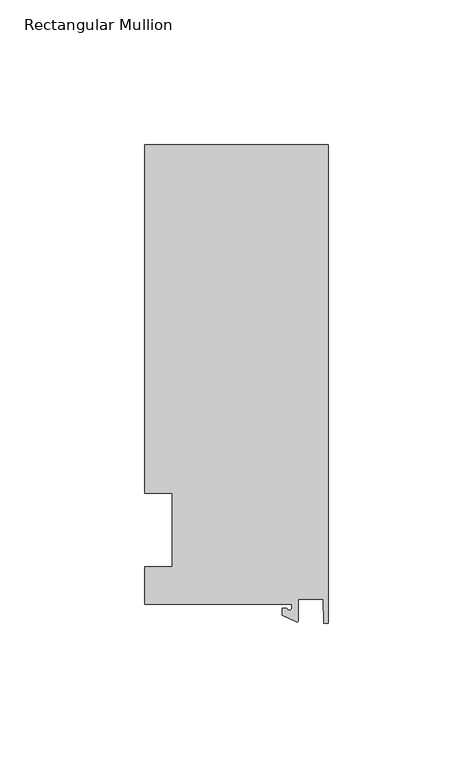
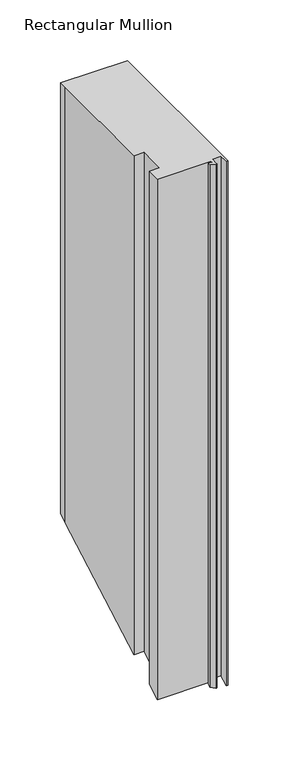
"""IFC4 building model written with IfcOpenShell, lengths in millimetres: member geometry, Rectangular Mullion."""

import ifcopenshell
import ifcopenshell.guid

model = None  # the IFC model being written
_history = None  # IfcOwnerHistory: only IFC2X3 demands one
_inside = {}  # id of a spatial element -> (the spatial element, [elements in it])
_under = {}  # id of a project, library or spatial element -> (it, [spatial elements below it])
_declared = {}  # id of a project -> (the project, [libraries it declares])
_typed = {}  # id of a type object -> (the type object, [elements of that type])
_made_of = {}  # id of a material, layer set ... -> (it, [elements and type objects made of it])


def new_model(schema):
    """Start an empty IFC model of exactly this schema.

    Asked for "IFC4X3", IfcOpenShell would pick the latest addendum, in which some entities
    have other attributes; the version numbers below select the first issue.
    IFC2X3 requires an IfcOwnerHistory on every rooted entity: one is made here for all.
    """
    global model, _history
    if schema == "IFC4X3":
        model = ifcopenshell.file(schema_version=(4, 3, 0, 0))
    else:
        model = ifcopenshell.file(schema=schema)
    _inside.clear()
    _under.clear()
    _declared.clear()
    _typed.clear()
    _made_of.clear()
    _history = None
    if model.schema == "IFC2X3":
        org = make("IfcOrganization", Name="unknown")
        user = make(
            "IfcPersonAndOrganization",
            ThePerson=make("IfcPerson", FamilyName="unknown"),
            TheOrganization=org,
        )
        app = make(
            "IfcApplication",
            ApplicationDeveloper=org,
            Version="unknown",
            ApplicationFullName="unknown",
            ApplicationIdentifier="unknown",
        )
        _history = make(
            "IfcOwnerHistory",
            OwningUser=user,
            OwningApplication=app,
            ChangeAction="ADDED",
            CreationDate=0,
        )
    return model


def make(cls, **values):
    """One entity of the class cls with the attributes given. An attribute that is None is left unset."""
    return model.create_entity(
        cls, **{name: value for name, value in values.items() if value is not None}
    )


def rooted(cls, **values):
    """An entity with a GlobalId (a new one), such as an element, a storey or a relation."""
    return make(cls, GlobalId=ifcopenshell.guid.new(), OwnerHistory=_history, **values)


def si_unit(unit_type, name, prefix=None):
    """IfcSIUnit, for example si_unit("LENGTHUNIT", "METRE", prefix="MILLI")."""
    return make("IfcSIUnit", UnitType=unit_type, Prefix=prefix, Name=name)


def assignment(units):
    """IfcUnitAssignment: the units of a project."""
    return None if units is None else make("IfcUnitAssignment", Units=units)


def point(xyz):
    """IfcCartesianPoint."""
    return None if xyz is None else make("IfcCartesianPoint", Coordinates=xyz)


def direction(xyz):
    """IfcDirection."""
    return None if xyz is None else make("IfcDirection", DirectionRatios=xyz)


def frame(location, z_axis=None, x_axis=None):
    """IfcAxis2Placement3D, a coordinate frame: its origin and axes. An axis left out is left unset."""
    return make(
        "IfcAxis2Placement3D",
        Location=point(location),
        Axis=direction(z_axis),
        RefDirection=direction(x_axis),
    )


def origin():
    """The frame at (0, 0, 0) with its axes left unset."""
    return frame((0.0, 0.0, 0.0))


def place(relative_to, where):
    """IfcLocalPlacement: puts the frame where relative to a parent placement (None: the world)."""
    return make(
        "IfcLocalPlacement", PlacementRelTo=relative_to, RelativePlacement=where
    )


def context(
    kind, dimensions, precision=None, world=None, true_north=None, identifier=None
):
    """IfcGeometricRepresentationContext, for example the 3D "Model" context."""
    return make(
        "IfcGeometricRepresentationContext",
        ContextIdentifier=identifier,
        ContextType=kind,
        CoordinateSpaceDimension=dimensions,
        Precision=precision,
        WorldCoordinateSystem=world,
        TrueNorth=true_north,
    )


def project(units=None, contexts=None):
    """IfcProject with its units and contexts."""
    return rooted(
        "IfcProject",
        Name="project",
        RepresentationContexts=contexts,
        UnitsInContext=assignment(units),
    )


def spatial(cls, under=None, at=None, **own):
    """A site, building, storey or space (cls), placed at a placement, below another one or the project."""
    s = rooted(cls, ObjectPlacement=at, **own)
    if under is not None:
        _under.setdefault(under.id(), (under, []))[1].append(s)
    return s


def polyline(points):
    """IfcPolyline through the points."""
    return make("IfcPolyline", Points=[point(p) for p in points])


def circle_curve(where, radius):
    """IfcCircle in the frame where."""
    return make("IfcCircle", Position=where, Radius=radius)


def ellipse_curve(where, semi_axis1, semi_axis2):
    """IfcEllipse in the frame where."""
    return make(
        "IfcEllipse", Position=where, SemiAxis1=semi_axis1, SemiAxis2=semi_axis2
    )


def shape(context_of_items, identifier, shape_type, items):
    """IfcShapeRepresentation: the items that make up one representation, for example the "Body"."""
    return make(
        "IfcShapeRepresentation",
        ContextOfItems=context_of_items,
        RepresentationIdentifier=identifier,
        RepresentationType=shape_type,
        Items=items,
    )


def source(mapping_origin, context_of_items, identifier, shape_type, items):
    """IfcRepresentationMap: a shape defined once, which mapped items show again and again."""
    return make(
        "IfcRepresentationMap",
        MappingOrigin=mapping_origin,
        MappedRepresentation=shape(context_of_items, identifier, shape_type, items),
    )


def transform(
    local_origin,
    x_axis=None,
    y_axis=None,
    z_axis=None,
    scale=None,
    scale2=None,
    scale3=None,
    uniform=True,
):
    """IfcCartesianTransformationOperator3D, or its non-uniform kind. x_axis, y_axis, z_axis: its Axis1, 2, 3."""
    if uniform:
        return make(
            "IfcCartesianTransformationOperator3D",
            Axis1=direction(x_axis),
            Axis2=direction(y_axis),
            LocalOrigin=point(local_origin),
            Scale=scale,
            Axis3=direction(z_axis),
        )
    return make(
        "IfcCartesianTransformationOperator3DnonUniform",
        Axis1=direction(x_axis),
        Axis2=direction(y_axis),
        LocalOrigin=point(local_origin),
        Scale=scale,
        Axis3=direction(z_axis),
        Scale2=scale2,
        Scale3=scale3,
    )


def mapped(mapping_source, mapping_target):
    """IfcMappedItem: shows the shape of a source again, moved by a transform."""
    return make(
        "IfcMappedItem", MappingSource=mapping_source, MappingTarget=mapping_target
    )


def made_of(thing, what):
    """Note that an element or type object is made of a material, layer set ...; save() writes the relation."""
    if what is not None:
        _made_of.setdefault(what.id(), (what, []))[1].append(thing)
    return thing


def element(
    cls,
    number,
    at=None,
    inside=None,
    cuts=None,
    type_object=None,
    material=None,
    context=None,
    identifier="Body",
    shape_type=None,
    held_by="IfcProductDefinitionShape",
    body=None,
    shapes=None,
    **own,
):
    """One element of the class cls, such as IfcWall. Its Tag is "e" and its number.

    at: its placement. inside: the storey or other place that contains it. cuts: it is an
    opening in that element (IfcRelVoidsElement). A single representation is given by context,
    identifier, shape_type and body (its items); several are given by shapes. held_by: the class
    of the entity that holds the representations. save() writes the other relations.
    """
    e = rooted(cls, Tag="e%d" % number, ObjectPlacement=at, **own)
    if body is not None:
        shapes = [shape(context, identifier, shape_type, body)]
    if shapes is not None:
        e.Representation = make(held_by, Representations=shapes)
    if inside is not None:
        _inside.setdefault(inside.id(), (inside, []))[1].append(e)
    if cuts is not None:
        rooted(
            "IfcRelVoidsElement", RelatingBuildingElement=cuts, RelatedOpeningElement=e
        )
    if type_object is not None:
        _typed.setdefault(type_object.id(), (type_object, []))[1].append(e)
    return made_of(e, material)


def aggregate(whole, parts):
    """IfcRelAggregates: a whole, such as a stair, and the parts it consists of."""
    return rooted("IfcRelAggregates", RelatingObject=whole, RelatedObjects=parts)


def save(model, path):
    """Write the relations noted so far, then the file.

    IfcRelAggregates (storeys below a building ...), IfcRelContainedInSpatialStructure (elements
    in a storey), IfcRelDefinesByType, IfcRelAssociatesMaterial and IfcRelDeclares: one each for
    every whole, place, type object, material and project.
    """
    for whole, parts in _under.values():
        aggregate(whole, parts)
    for where, things in _inside.values():
        rooted(
            "IfcRelContainedInSpatialStructure",
            RelatedElements=things,
            RelatingStructure=where,
        )
    for kind, things in _typed.values():
        rooted("IfcRelDefinesByType", RelatedObjects=things, RelatingType=kind)
    for what, things in _made_of.values():
        rooted("IfcRelAssociatesMaterial", RelatedObjects=things, RelatingMaterial=what)
    for by, libraries in _declared.values():
        rooted("IfcRelDeclares", RelatingContext=by, RelatedDefinitions=libraries)
    model.write(path)


def plane_surface(at):
    """IfcPlane: the flat surface through the origin of the frame at, square to its z axis."""
    return make("IfcPlane", Position=at)


def cylinder_surface(at, radius):
    """IfcCylindricalSurface: all points at the distance radius from the z axis of the frame at."""
    return make("IfcCylindricalSurface", Position=at, Radius=radius)


def revolved_surface(curve, axis_point, axis_direction):
    """IfcSurfaceOfRevolution: the curve turned about the line through axis_point along axis_direction."""
    return make(
        "IfcSurfaceOfRevolution",
        SweptCurve=make("IfcArbitraryOpenProfileDef", ProfileType="CURVE", Curve=curve),
        AxisPosition=make("IfcAxis1Placement", Location=point(axis_point), Axis=direction(axis_direction)),
    )


def advanced_brep(points, edges, surfaces, faces):
    """IfcAdvancedBrep: a solid bounded by faces that lie on surfaces and meet in shared edges.

    An edge is (start, end): straight between two places in points (the first is 0);
    or (start, end, curve); or (start, end, curve, False) where it runs against its curve.
    A face is (place in surfaces, loops), or (place, loops, False) where it looks against
    its surface's normal. A loop lists edges by number (the first is 1), with a minus sign
    where the edge is run from its end to its start. The first loop is the outer one.
    """
    corners = [point(p) for p in points]
    vertices = [make("IfcVertexPoint", VertexGeometry=c) for c in corners]
    made = []
    for start, end, *more in edges:
        made.append(
            make(
                "IfcEdgeCurve",
                EdgeStart=vertices[start],
                EdgeEnd=vertices[end],
                EdgeGeometry=more[0] if more else make("IfcPolyline", Points=[corners[start], corners[end]]),
                SameSense=more[1] if len(more) > 1 else True,
            )
        )
    hull = []
    for where, loops, *sense in faces:
        bounds = []
        for j, loop in enumerate(loops):
            ring = [make("IfcOrientedEdge", EdgeElement=made[abs(k) - 1], Orientation=k > 0) for k in loop]
            bounds.append(
                make(
                    "IfcFaceOuterBound" if j == 0 else "IfcFaceBound",
                    Bound=make("IfcEdgeLoop", EdgeList=ring),
                    Orientation=True,
                )
            )
        hull.append(make("IfcAdvancedFace", Bounds=bounds, FaceSurface=surfaces[where], SameSense=sense[0] if sense else True))
    return make("IfcAdvancedBrep", Outer=make("IfcClosedShell", CfsFaces=hull))


def rectangular_mullion_9ff653bb(model_context):
    return source(origin(), model_context, "Body", "AdvancedBrep", [
        advanced_brep(
        [(-12.6173814, -25.796875, 0.0), (-12.6173814, -27.0827507, 0.0), (-14.2048814, -27.0827507, 0.0), (-15.7923814, -27.0827507, 0.0), (-15.7923814, -29.44495, 0.0), (-10.9524715, -31.7018371, 0.0), (-10.2297814, -31.2414327, 0.0), (-10.2297814, -23.9227662, 0.0), (-1.7144124, -23.9227662, 0.0), (-1.5658966, -32.288874, 0.0), (0.0, -32.288874, 0.0), (0.0, 133.34365, 0.0), (-63.5, 133.34365, 0.0), (-63.5, 125.8114907, 0.0), (-63.5, 12.7, 0.0), (-53.975, 12.7, 0.0), (-53.975, -12.7, 0.0), (-63.5, -12.7, 0.0), (-63.5, -25.796875, 0.0), (-12.6173814, -25.796875, -522.5951696), (-12.6173814, -27.0827507, -523.3226831), (-14.2048814, -27.0827507, -523.3226831), (-15.7923814, -27.0827507, -523.3226831), (-15.7923814, -29.44495, -524.6591512), (-10.9524715, -31.7018371, -525.9360364), (-10.2297814, -31.2414327, -525.6755522), (-10.2297814, -23.9227662, -521.5348499), (-1.7144124, -23.9227662, -521.5348499), (-1.5658966, -32.288874, -526.2681659), (0.0, -32.288874, -526.2681659), (0.0, 133.34365, -432.5577927), (-63.5, 133.34365, -432.5577927), (-63.5, 125.8114907, -436.8192834), (-63.5, 12.7, -500.8146857), (-53.975, 12.7, -500.8146857), (-53.975, -12.7, -515.1853143), (-63.5, -12.7, -515.1853143), (-63.5, -25.796875, -522.5951696)],
        [
            (0, 1),
            (1, 2, circle_curve(frame((-13.4111314, -27.0827507, 0.0), z_axis=(0.0, 0.0, -1.0), x_axis=(-1.0, 0.0, 0.0)), 0.79375)),
            (2, 3),
            (3, 4),
            (4, 5),
            (5, 6, circle_curve(frame((-10.7377814, -31.2414327, 0.0), z_axis=(0.0, 0.0, 1.0), x_axis=(-1.0, 0.0, 0.0)), 0.508)),
            (6, 7),
            (7, 8),
            (8, 9),
            (9, 10),
            (10, 11),
            (11, 12),
            (12, 13),
            (13, 14),
            (14, 15),
            (15, 16),
            (16, 17),
            (17, 18),
            (18, 0),
            (0, 19),
            (19, 20),
            (20, 1),
            (20, 21, ellipse_curve(frame((-13.4111314, -27.0827507, -523.3226831), z_axis=(0.0, 0.4924235601034684, -0.870355695939899), x_axis=(0.0, -0.870355695939899, -0.492423560103468)), 0.9119835, 0.79375)),
            (21, 2),
            (21, 22),
            (22, 3),
            (22, 23),
            (23, 4),
            (23, 24),
            (24, 5),
            (24, 25, ellipse_curve(frame((-10.7377814, -31.2414327, -525.6755522), z_axis=(0.0, -0.4924235601034684, 0.870355695939899), x_axis=(0.0, 0.870355695939899, 0.492423560103468)), 0.5836694, 0.508)),
            (25, 6),
            (25, 26),
            (26, 7),
            (26, 27),
            (27, 8),
            (27, 28),
            (28, 9),
            (28, 29),
            (29, 10),
            (29, 30),
            (30, 11),
            (30, 31),
            (31, 12),
            (13, 32),
            (32, 33),
            (33, 14),
            (33, 34),
            (34, 15),
            (34, 35),
            (35, 16),
            (35, 36),
            (36, 17),
            (36, 37),
            (37, 18),
            (37, 19),
            (32, 31),
        ],
        [
            plane_surface(frame((0.0, -147.6914994, 0.0), z_axis=(0.0, 0.0, 1.0), x_axis=(-1.0, 0.0, 0.0))),
            plane_surface(frame((-12.6173814, -25.796875, 0.0), z_axis=(-1.0, 0.0, 0.0), x_axis=(0.0, 0.0, -1.0))),
            revolved_surface(polyline([(-14.2048814, -27.0827507, -523.7717652618255), (-14.2048814, -27.0827507, 0.0)]), (-13.4111314, -27.0827507, 0.0), (0.0, 0.0, -1.0)),
            plane_surface(frame((-14.2048814, -27.0827507, 0.0), z_axis=(0.0, 1.0, 0.0), x_axis=(0.0, 0.0, -1.0))),
            plane_surface(frame((-15.7923814, -27.0827507, 0.0), z_axis=(-1.0, 0.0, 0.0), x_axis=(0.0, 0.0, -1.0))),
            plane_surface(frame((-15.7923814, -29.44495, 0.0), z_axis=(-0.4226182617406985, -0.9063077870366505, 0.0), x_axis=(0.0, 0.0, -1.0))),
            cylinder_surface(frame((-10.7377814, -31.2414327, 0.0), z_axis=(0.0, 0.0, 1.0), x_axis=(-1.0, 0.0, 0.0)), 0.508),
            plane_surface(frame((-10.2297814, -31.2414327, 0.0), z_axis=(1.0, 0.0, 0.0), x_axis=(0.0, 0.0, -1.0))),
            plane_surface(frame((-10.2297814, -23.9227662, 0.0), z_axis=(0.0, -1.0, 0.0), x_axis=(0.0, 0.0, -1.0))),
            plane_surface(frame((-1.7144124, -23.9227662, 0.0), z_axis=(-0.9998424690407919, -0.017749284560600327, 0.0), x_axis=(0.0, 0.0, -1.0))),
            plane_surface(frame((-1.5658966, -32.288874, 0.0), z_axis=(0.0, -1.0, 0.0), x_axis=(0.0, 0.0, -1.0))),
            plane_surface(frame((0.0, -32.288874, 0.0), z_axis=(1.0, 0.0, 0.0), x_axis=(0.0, 0.0, -1.0))),
            plane_surface(frame((0.0, 133.34365, 0.0), z_axis=(0.0, 1.0, 0.0), x_axis=(0.0, 0.0, -1.0))),
            plane_surface(frame((-63.5, 125.8114907, 0.0), z_axis=(-1.0, 0.0, 0.0), x_axis=(0.0, 0.0, -1.0))),
            plane_surface(frame((-63.5, 12.7, 0.0), z_axis=(0.0, -1.0, 0.0), x_axis=(0.0, 0.0, -1.0))),
            plane_surface(frame((-53.975, 12.7, 0.0), z_axis=(-1.0, 0.0, 0.0), x_axis=(0.0, 0.0, -1.0))),
            plane_surface(frame((-53.975, -12.7, 0.0), z_axis=(0.0, 1.0, 0.0), x_axis=(0.0, 0.0, -1.0))),
            plane_surface(frame((-63.5, -12.7, 0.0), z_axis=(-1.0, 0.0, 0.0), x_axis=(0.0, 0.0, -1.0))),
            plane_surface(frame((-63.5, -25.796875, 0.0), z_axis=(0.0, -1.0, 0.0), x_axis=(0.0, 0.0, -1.0))),
            plane_surface(frame((-304.8, 0.0, -508.0), z_axis=(0.0, 0.4924235601034684, -0.870355695939899), x_axis=(0.0, 0.870355695939899, 0.4924235601034684))),
            plane_surface(frame((-63.5, 133.34365, 0.0), z_axis=(-1.0, 0.0, 0.0), x_axis=(0.0, 0.0, -1.0))),
        ],
        [
            (0, [[1, 2, 3, 4, 5, 6, 7, 8, 9, 10, 11, 12, 13, 14, 15, 16, 17, 18, 19]]),
            (1, [[-1, 20, 21, 22]]),
            (2, [[-2, -22, 23, 24]]),
            (3, [[-3, -24, 25, 26]]),
            (4, [[-4, -26, 27, 28]]),
            (5, [[-5, -28, 29, 30]]),
            (6, [[-6, -30, 31, 32]]),
            (7, [[-7, -32, 33, 34]]),
            (8, [[-8, -34, 35, 36]]),
            (9, [[-9, -36, 37, 38]]),
            (10, [[-10, -38, 39, 40]]),
            (11, [[-11, -40, 41, 42]]),
            (12, [[-12, -42, 43, 44]]),
            (13, [[-14, 45, 46, 47]]),
            (14, [[-15, -47, 48, 49]]),
            (15, [[-16, -49, 50, 51]]),
            (16, [[-17, -51, 52, 53]]),
            (17, [[-18, -53, 54, 55]]),
            (18, [[-19, -55, 56, -20]]),
            (19, [[-56, -54, -52, -50, -48, -46, 57, -43, -41, -39, -37, -35, -33, -31, -29, -27, -25, -23, -21]]),
            (20, [[-13, -44, -57, -45]]),
        ],
    ),
    ])


if __name__ == "__main__":
    model = new_model("IFC4")
    model_context = context("Model", 3, world=origin())
    ifc_project = project(units=[si_unit("LENGTHUNIT", "METRE", prefix="MILLI")], contexts=[model_context])
    site = spatial("IfcSite", under=ifc_project)
    building = spatial("IfcBuilding", under=site)
    placement = place(None, origin())
    rectangular_mullion_shape = rectangular_mullion_9ff653bb(model_context)
    element("IfcMember", 1, ObjectType="Rectangular Mullion", at=placement, inside=building, context=model_context, shape_type="MappedRepresentation", body=[
        mapped(rectangular_mullion_shape, transform((0.0, 0.0, 0.0), x_axis=(1.0, 0.0, 0.0), y_axis=(0.0, 1.0, 0.0), z_axis=(0.0, 0.0, 1.0))),
    ])
    save(model, "model.ifc")
